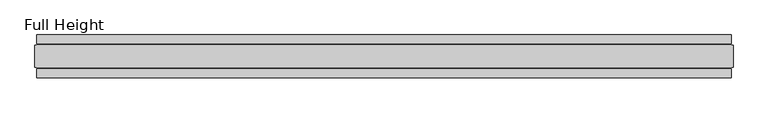
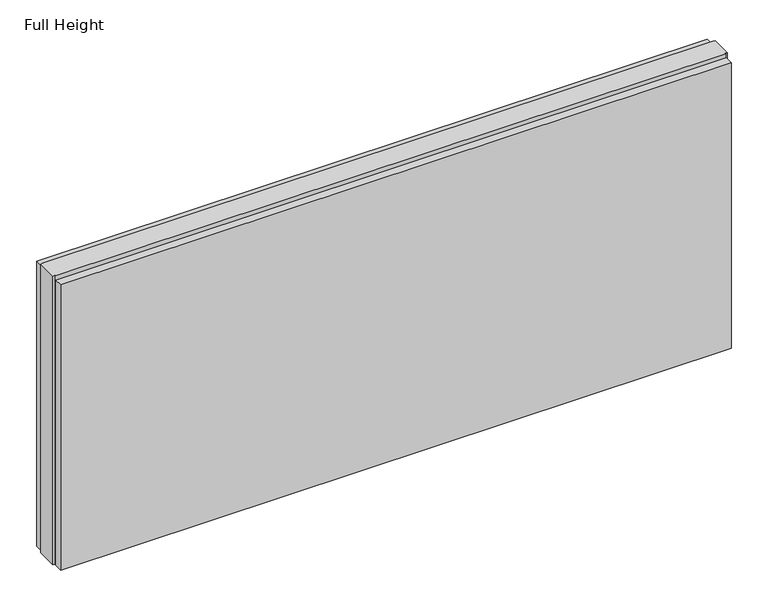
"""IFC4 building model written with IfcOpenShell, lengths in millimetres: plate geometry, Full Height."""

from ifc_helpers import new_model, si_unit, origin, origin_with_axes, place, context, project, spatial, polyline, outline, extrude, source, transform, mapped, element, save


def full_height_266e02ac(model_context):
    return source(origin(), model_context, "Body", "SweptSolid", [
        extrude(outline(polyline([(801.4285074, 28.956), (-801.4285074, 28.956), (-801.4285074, 49.53), (801.4285074, 49.53), (801.4285074, 28.956)])), origin_with_axes(), (0.0, 0.0, 1.0), 720.852),
        extrude(outline(polyline([(801.4285074, -28.956), (801.4285074, -49.53), (-801.4285074, -49.53), (-801.4285074, -28.956), (801.4285074, -28.956)])), origin_with_axes(), (0.0, 0.0, 1.0), 720.852),
        extrude(outline(polyline([(801.4285074, -25.146), (801.4285074, -26.67), (-801.4285074, -26.67), (-801.4285074, -25.146), (-806.0005074, -25.146), (-806.0005074, 25.146), (-801.4285074, 25.146), (-801.4285074, 26.67), (801.4285074, 26.67), (801.4285074, 25.146), (806.0005074, 25.146), (806.0005074, -25.146), (801.4285074, -25.146)])), origin_with_axes(), (0.0, 0.0, 1.0), 729.996),
    ])


if __name__ == "__main__":
    model = new_model("IFC4")
    model_context = context("Model", 3, world=origin())
    ifc_project = project(units=[si_unit("LENGTHUNIT", "METRE", prefix="MILLI")], contexts=[model_context])
    site = spatial("IfcSite", under=ifc_project)
    building = spatial("IfcBuilding", under=site)
    placement = place(None, origin())
    full_height_shape = full_height_266e02ac(model_context)
    element("IfcPlate", 1, ObjectType="Full Height", at=placement, inside=building, context=model_context, shape_type="MappedRepresentation", body=[
        mapped(full_height_shape, transform((0.0, 0.0, 0.0), x_axis=(1.0, 0.0, 0.0), y_axis=(0.0, 1.0, 0.0), z_axis=(0.0, 0.0, 1.0))),
    ])
    save(model, "model.ifc")
